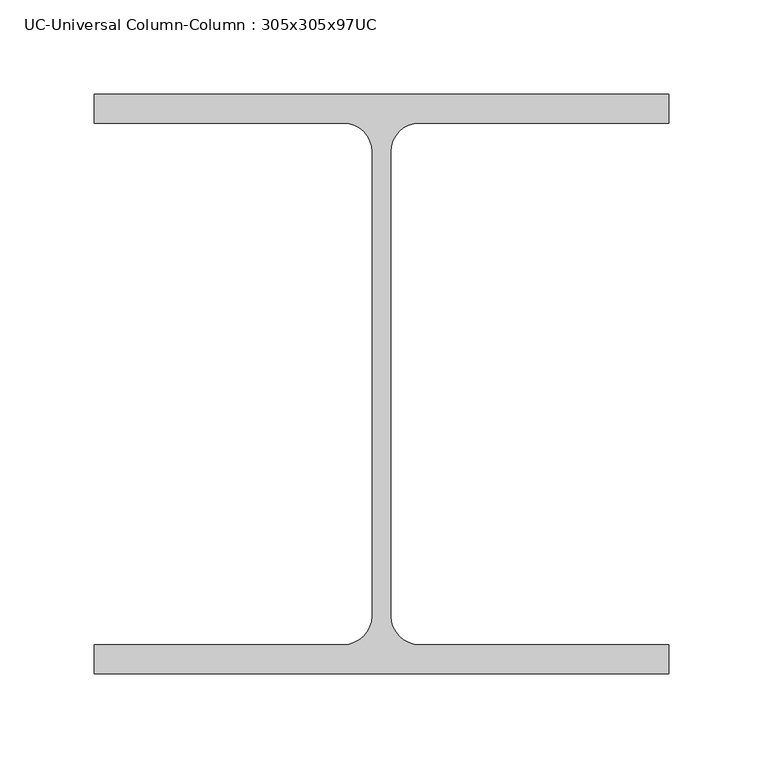
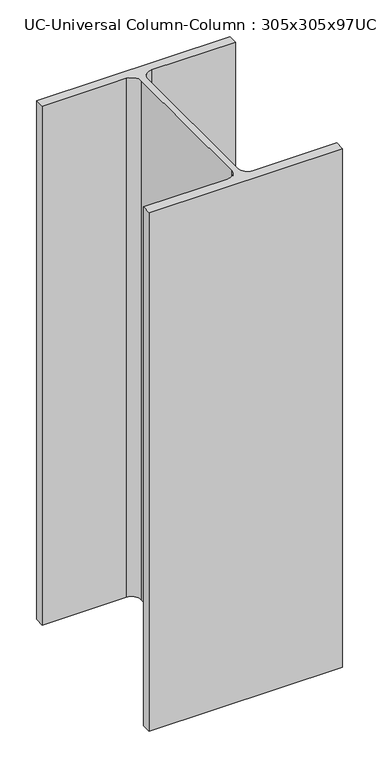
"""IFC4 building model written with IfcOpenShell, lengths in millimetres: column geometry, UC-Universal Column-Column : 305x305x97UC."""

from ifc_helpers import new_model, si_unit, point, frame, frame_2d, origin, place, context, project, spatial, polyline, circle_curve, trimmed, segment, composite_curve, outline, extrude, source, transform, mapped, element, save


def uc_universal_column_column_305x305x97uc_1e39aacf(model_context):
    return source(origin(), model_context, "Body", "SweptSolid", [
        extrude(outline(composite_curve([segment(polyline([(152.65, 153.95), (152.65, 138.55), (20.15, 138.55)]), True, "CONTINUOUS"), segment(trimmed(circle_curve(frame_2d((20.15, 123.35)), 15.2), [point((20.15, 138.55))], [point((4.95, 123.35))], True, "CARTESIAN"), True, "CONTINUOUS"), segment(polyline([(4.95, 123.35), (4.95, -123.35)]), True, "CONTINUOUS"), segment(trimmed(circle_curve(frame_2d((20.15, -123.35)), 15.2), [point((4.95, -123.35))], [point((20.15, -138.55))], True, "CARTESIAN"), True, "CONTINUOUS"), segment(polyline([(20.15, -138.55), (152.65, -138.55), (152.65, -153.95), (-152.65, -153.95), (-152.65, -138.55), (-20.15, -138.55)]), True, "CONTINUOUS"), segment(trimmed(circle_curve(frame_2d((-20.15, -123.35)), 15.2), [point((-20.15, -138.55))], [point((-4.95, -123.35))], True, "CARTESIAN"), True, "CONTINUOUS"), segment(polyline([(-4.95, -123.35), (-4.95, 123.35)]), True, "CONTINUOUS"), segment(trimmed(circle_curve(frame_2d((-20.15, 123.35)), 15.2), [point((-4.95, 123.35))], [point((-20.15, 138.55))], True, "CARTESIAN"), True, "CONTINUOUS"), segment(polyline([(-20.15, 138.55), (-152.65, 138.55), (-152.65, 153.95), (152.65, 153.95)]), True, "CONTINUOUS")], self_intersect=False)), frame((0.0, 0.0, 12962.0), z_axis=(0.0, 0.0, 1.0), x_axis=(1.0, 0.0, 0.0)), (0.0, 0.0, 1.0), 865.4675),
    ])


if __name__ == "__main__":
    model = new_model("IFC4")
    model_context = context("Model", 3, world=origin())
    ifc_project = project(units=[si_unit("LENGTHUNIT", "METRE", prefix="MILLI")], contexts=[model_context])
    site = spatial("IfcSite", under=ifc_project)
    building = spatial("IfcBuilding", under=site)
    placement = place(None, origin())
    uc_universal_column_column_305x305x97uc_shape = uc_universal_column_column_305x305x97uc_1e39aacf(model_context)
    element("IfcColumn", 1, ObjectType="UC-Universal Column-Column : 305x305x97UC", at=placement, inside=building, context=model_context, shape_type="MappedRepresentation", body=[
        mapped(uc_universal_column_column_305x305x97uc_shape, transform((0.0, 0.0, 0.0), x_axis=(1.0, 0.0, 0.0), y_axis=(0.0, 1.0, 0.0), z_axis=(0.0, 0.0, 1.0))),
    ])
    save(model, "model.ifc")
